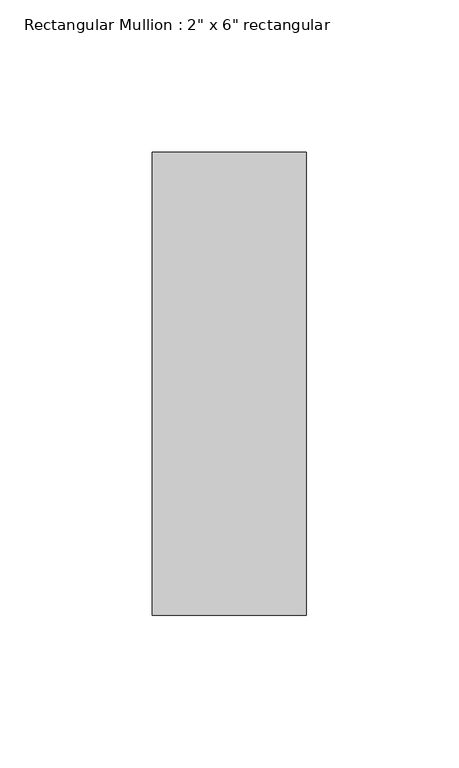
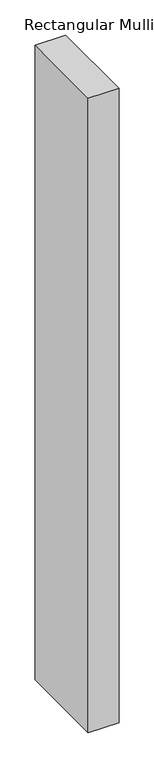
"""IFC4 building model written with IfcOpenShell, lengths in millimetres: member geometry."""

from ifc_helpers import new_model, si_unit, frame, origin, place, context, project, spatial, polyline, outline, extrude, source, transform, mapped, element, save


def member_a9ec9fd4(model_context):
    return source(origin(), model_context, "Body", "SweptSolid", [
        extrude(outline(polyline([(0.0, 76.2), (0.0, -76.2), (-50.8, -76.2), (-50.8, 76.2), (0.0, 76.2)])), frame((0.0, 0.0, -1104.9), z_axis=(0.0, 0.0, 1.0), x_axis=(1.0, 0.0, 0.0)), (0.0, 0.0, 1.0), 1104.9),
    ])


if __name__ == "__main__":
    model = new_model("IFC4")
    model_context = context("Model", 3, world=origin())
    ifc_project = project(units=[si_unit("LENGTHUNIT", "METRE", prefix="MILLI")], contexts=[model_context])
    site = spatial("IfcSite", under=ifc_project)
    building = spatial("IfcBuilding", under=site)
    placement = place(None, origin())
    member_shape = member_a9ec9fd4(model_context)
    element("IfcMember", 1, ObjectType="Rectangular Mullion : 2\" x 6\" rectangular", at=placement, inside=building, context=model_context, shape_type="MappedRepresentation", body=[
        mapped(member_shape, transform((0.0, 0.0, 0.0), x_axis=(1.0, 0.0, 0.0), y_axis=(0.0, 1.0, 0.0), z_axis=(0.0, 0.0, 1.0))),
    ])
    save(model, "model.ifc")
